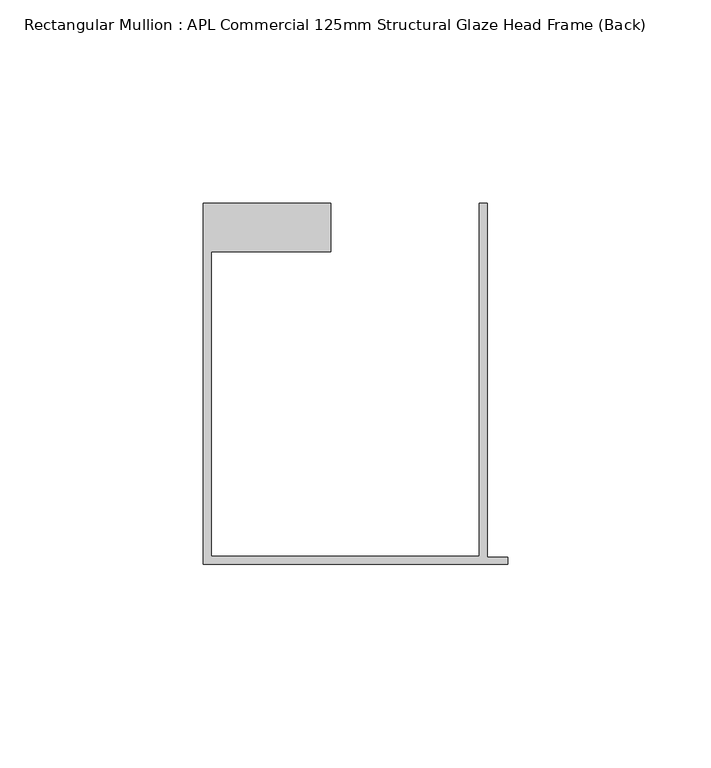
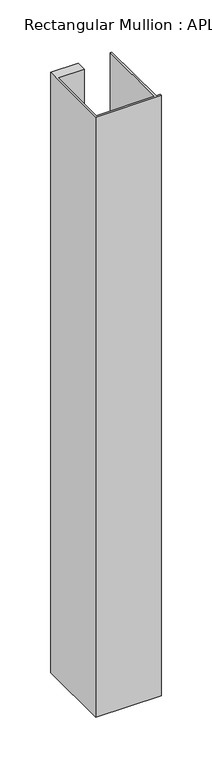
"""IFC4 building model written with IfcOpenShell, lengths in millimetres: member geometry, Rectangular Mullion : APL Commercial 125mm Structural Glaze Head Frame (Back)."""

from ifc_helpers import new_model, si_unit, frame, origin, place, context, project, spatial, polyline, outline, extrude, source, transform, mapped, element, save


def rectangular_mullion_apl_commercial_125mm_structural_glaze_a94c15ce(model_context):
    return source(origin(), model_context, "Body", "SweptSolid", [
        extrude(outline(polyline([(-75.0, -103.9993063), (-75.0, -14.9998342), (-43.5000151, -14.9998342), (-43.5000151, -26.9997514), (-73.0, -26.9997514), (-73.0, -101.9993063), (-7.0, -101.9993063), (-7.0, -14.9998342), (-5.0, -14.9998342), (-5.0, -102.1993063), (0.0, -102.1993063), (0.0, -103.9993063), (-75.0, -103.9993063)])), frame((0.0, 0.0, -724.000019), z_axis=(0.0, 0.0, 1.0), x_axis=(1.0, 0.0, 0.0)), (0.0, 0.0, 1.0), 724.000019),
    ])


if __name__ == "__main__":
    model = new_model("IFC4")
    model_context = context("Model", 3, world=origin())
    ifc_project = project(units=[si_unit("LENGTHUNIT", "METRE", prefix="MILLI")], contexts=[model_context])
    site = spatial("IfcSite", under=ifc_project)
    building = spatial("IfcBuilding", under=site)
    placement = place(None, origin())
    rectangular_mullion_apl_commercial_125mm_structural_glaze_shape = rectangular_mullion_apl_commercial_125mm_structural_glaze_a94c15ce(model_context)
    element("IfcMember", 1, ObjectType="Rectangular Mullion : APL Commercial 125mm Structural Glaze Head Frame (Back)", at=placement, inside=building, context=model_context, shape_type="MappedRepresentation", body=[
        mapped(rectangular_mullion_apl_commercial_125mm_structural_glaze_shape, transform((0.0, 0.0, 0.0), x_axis=(1.0, 0.0, 0.0), y_axis=(0.0, 1.0, 0.0), z_axis=(0.0, 0.0, 1.0))),
    ])
    save(model, "model.ifc")
